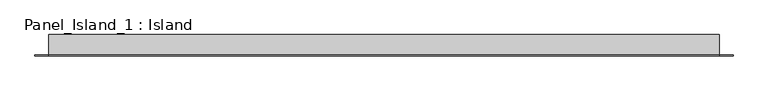
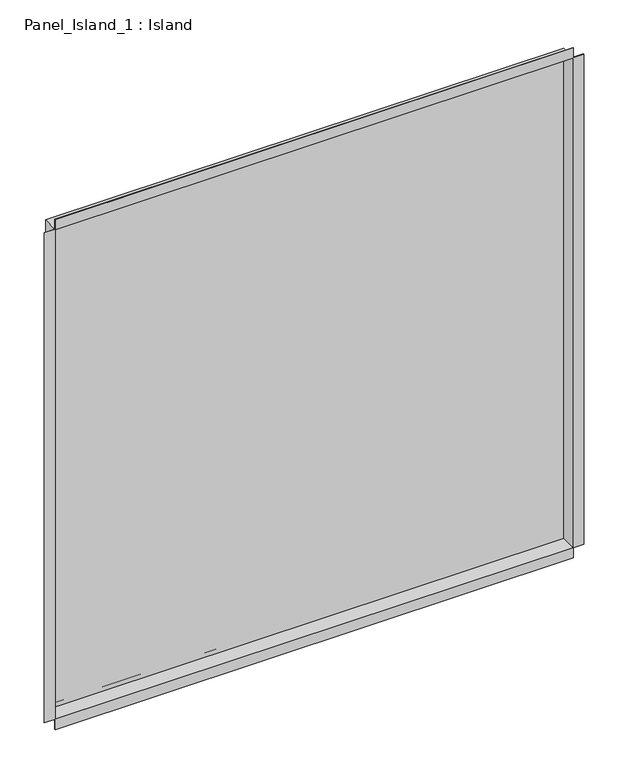
"""IFC4 building model written with IfcOpenShell, lengths in millimetres: plate geometry, Panel_Island_1 : Island."""

from ifc_helpers import new_model, si_unit, frame, origin, place, context, project, spatial, polyline, outline, extrude, faceted_brep, source, transform, mapped, element, save


def panel_island_1_island_b182ea93(model_context):
    return source(origin(), model_context, "Body", "SolidModel", [
        faceted_brep([(499.0, 31.2, 998.6), (499.0, 0.0, 998.6), (-499.0, 0.0, 998.6), (-499.0, 31.2, 998.6), (489.8, 32.0, 989.4), (489.8, 31.2, 989.4), (-489.8, 31.2, 989.4), (-489.8, 32.0, 989.4), (499.8, 32.0, 999.4), (-499.8, 32.0, 999.4), (-499.8, 1.5, 999.4), (499.8, 1.5, 999.4), (-499.0, 0.0, 1.4), (-499.0, 31.2, 1.4), (-489.8, 31.2, 10.6), (-489.8, 32.0, 10.6), (-499.8, 32.0, 0.6), (-499.8, 1.5, 0.6), (-499.8, 1.5, 1019.4), (-499.8, 0.0, 999.4), (-499.8, 0.0, 1019.4), (499.0, 0.0, 1.4), (499.0, 31.2, 1.4), (489.8, 31.2, 10.6), (489.8, 32.0, 10.6), (499.8, 32.0, 0.6), (499.8, 1.5, 0.6), (520.4, 1.5, 0.6), (520.4, 0.0, 0.6), (499.8, 0.0, 0.6), (-520.4, 1.5, 0.6), (-499.8, 0.0, 0.6), (-520.4, 0.0, 0.6), (499.8, 0.0, 1019.4), (-520.4, 0.0, 999.4), (-499.8, 0.0, -20.0), (499.8, 0.0, -20.0), (520.4, 0.0, 999.4), (499.8, 0.0, 999.4), (499.8, 1.5, 1019.4), (520.4, 1.5, 999.4), (-520.4, 1.5, 999.4), (499.8, 1.5, -20.0), (-499.8, 1.5, -20.0)], [[[0, 1, 2, 3]], [[4, 5, 6, 7]], [[8, 9, 10, 11]], [[3, 2, 12, 13]], [[7, 6, 14, 15]], [[9, 16, 17, 10]], [[18, 10, 19, 20]], [[13, 12, 21, 22]], [[15, 14, 23, 24]], [[16, 25, 26, 17]], [[26, 27, 28, 29]], [[30, 17, 31, 32]], [[33, 20, 19, 34, 32, 31, 35, 36, 29, 28, 37, 38], [2, 1, 21, 12]], [[1, 0, 22, 21]], [[0, 3, 13, 22], [6, 5, 23, 14]], [[5, 4, 24, 23]], [[9, 8, 25, 16], [4, 7, 15, 24]], [[25, 8, 11, 26]], [[11, 39, 33, 38]], [[10, 18, 39, 11]], [[20, 33, 39, 18]], [[11, 40, 27, 26]], [[38, 37, 40, 11]], [[37, 28, 27, 40]], [[17, 30, 41, 10]], [[32, 34, 41, 30]], [[34, 19, 10, 41]], [[26, 42, 43, 17]], [[35, 31, 17, 43]], [[36, 35, 43, 42]], [[29, 36, 42, 26]]]),
        extrude(outline(polyline([(499.0, 30.2), (-499.0, 30.2), (-499.0, 31.2), (499.0, 31.2), (499.0, 30.2)])), frame((0.0, 0.0, 1.4), z_axis=(0.0, 0.0, 1.0), x_axis=(1.0, 0.0, 0.0)), (0.0, 0.0, 1.0), 997.2),
        extrude(outline(polyline([(489.8, 31.2), (-489.8, 31.2), (-489.8, 32.0), (489.8, 32.0), (489.8, 31.2)])), frame((0.0, 0.0, 10.6), z_axis=(0.0, 0.0, 1.0), x_axis=(1.0, 0.0, 0.0)), (0.0, 0.0, 1.0), 978.8),
    ])


if __name__ == "__main__":
    model = new_model("IFC4")
    model_context = context("Model", 3, world=origin())
    ifc_project = project(units=[si_unit("LENGTHUNIT", "METRE", prefix="MILLI")], contexts=[model_context])
    site = spatial("IfcSite", under=ifc_project)
    building = spatial("IfcBuilding", under=site)
    placement = place(None, origin())
    panel_island_1_island_shape = panel_island_1_island_b182ea93(model_context)
    element("IfcPlate", 1, ObjectType="Panel_Island_1 : Island", at=placement, inside=building, context=model_context, shape_type="MappedRepresentation", body=[
        mapped(panel_island_1_island_shape, transform((0.0, 0.0, 0.0), x_axis=(1.0, 0.0, 0.0), y_axis=(0.0, 1.0, 0.0), z_axis=(0.0, 0.0, 1.0))),
    ])
    save(model, "model.ifc")
